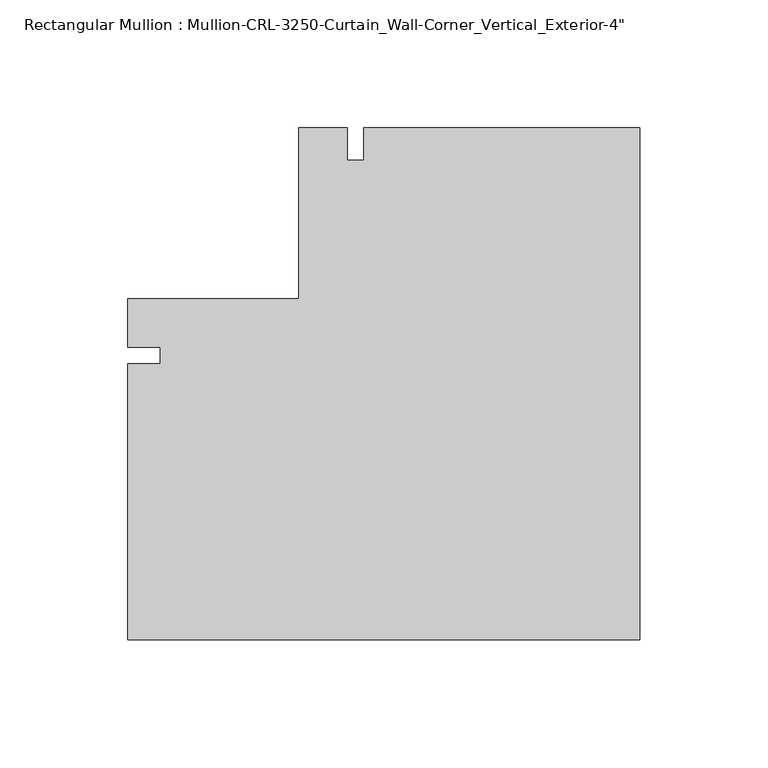
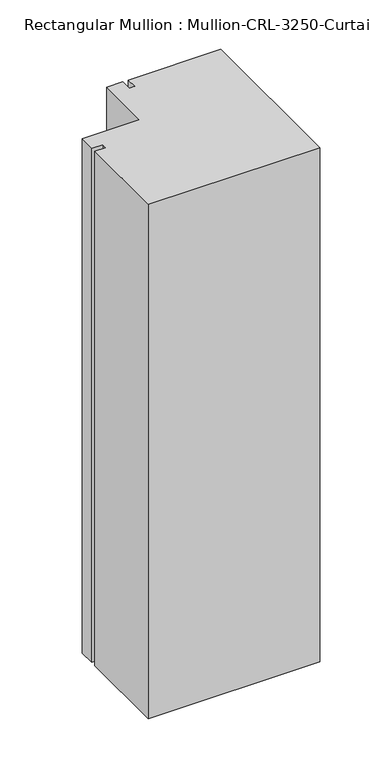
"""IFC4 building model written with IfcOpenShell, lengths in millimetres: member geometry."""

from ifc_helpers import new_model, si_unit, frame, origin, place, context, project, spatial, polyline, outline, extrude, source, transform, mapped, element, save


def member_1b691cbb(model_context):
    return source(origin(), model_context, "Body", "SweptSolid", [
        extrude(outline(polyline([(-200.0238258, 3.175), (-200.0238258, 22.2254168), (-133.3496929, 22.2254168), (-133.3496929, 88.9004137), (-114.2992762, 88.9004137), (-114.2992762, 76.2004137), (-107.9492762, 76.2004137), (-107.9492762, 88.9004137), (0.0, 88.9004137), (0.0, -111.1242762), (-200.0238258, -111.1242762), (-200.0238258, -3.175), (-187.3238258, -3.175), (-187.3238258, 3.175), (-200.0238258, 3.175)])), frame((0.0, 0.0, -635.0), z_axis=(0.0, 0.0, 1.0), x_axis=(1.0, 0.0, 0.0)), (0.0, 0.0, 1.0), 635.0),
    ])


if __name__ == "__main__":
    model = new_model("IFC4")
    model_context = context("Model", 3, world=origin())
    ifc_project = project(units=[si_unit("LENGTHUNIT", "METRE", prefix="MILLI")], contexts=[model_context])
    site = spatial("IfcSite", under=ifc_project)
    building = spatial("IfcBuilding", under=site)
    placement = place(None, origin())
    member_shape = member_1b691cbb(model_context)
    element("IfcMember", 1, ObjectType="Rectangular Mullion : Mullion-CRL-3250-Curtain_Wall-Corner_Vertical_Exterior-4\"", at=placement, inside=building, context=model_context, shape_type="MappedRepresentation", body=[
        mapped(member_shape, transform((0.0, 0.0, 0.0), x_axis=(1.0, 0.0, 0.0), y_axis=(0.0, 1.0, 0.0), z_axis=(0.0, 0.0, 1.0))),
    ])
    save(model, "model.ifc")
